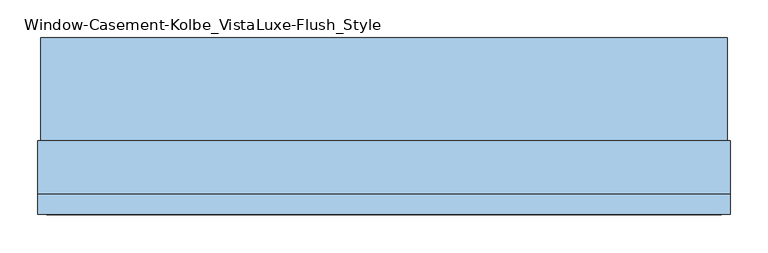
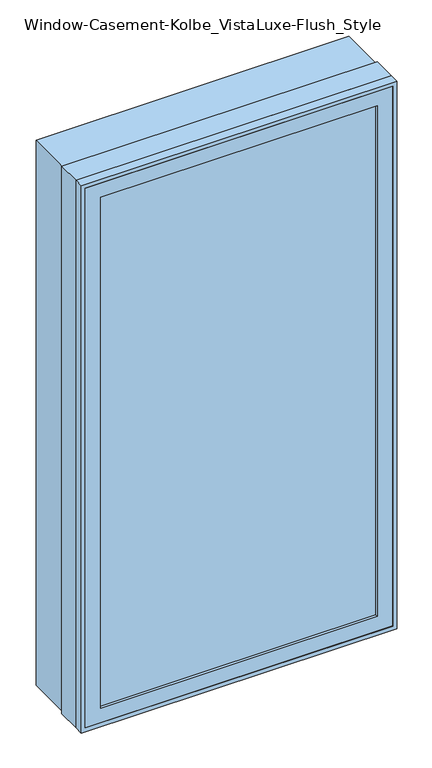
"""IFC4 building model written with IfcOpenShell, lengths in millimetres: window geometry, Window-Casement-Kolbe_VistaLuxe-Flush_Style."""

from ifc_helpers import new_model, si_unit, frame, origin, place, context, project, spatial, polyline, outline, extrude, faceted_brep, source, transform, mapped, element, save


def window_casement_kolbe_vistaluxe_flush_style_a1d4cc2e(model_context):
    return source(origin(), model_context, "Body", "SolidModel", [
        faceted_brep([(-406.4696599, -121.37898, 970.676875), (-406.4696599, -129.31648, 970.676875), (395.3765901, -129.31648, 970.676875), (395.3765901, -121.37898, 970.676875), (-422.3446599, -99.12858, 954.801875), (-422.3446599, -121.37898, 954.801875), (411.2515901, -121.37898, 954.801875), (411.2515901, -99.12858, 954.801875), (-406.4696599, -80.10398, 970.676875), (-406.4696599, -99.12858, 970.676875), (395.3765901, -99.12858, 970.676875), (395.3765901, -80.10398, 970.676875), (-450.9196599, -129.31648, 926.226875), (-450.9196599, -80.10398, 926.226875), (439.8265901, -80.10398, 926.226875), (439.8265901, -129.31648, 926.226875), (395.3765901, -129.31648, 2534.523125), (395.3765901, -121.37898, 2534.523125), (411.2515901, -121.37898, 2550.398125), (411.2515901, -99.12858, 2550.398125), (395.3765901, -99.12858, 2534.523125), (395.3765901, -80.10398, 2534.523125), (439.8265901, -80.10398, 2578.973125), (439.8265901, -129.31648, 2578.973125), (-406.4696599, -129.31648, 2534.523125), (-406.4696599, -121.37898, 2534.523125), (-422.3446599, -121.37898, 2550.398125), (-422.3446599, -99.12858, 2550.398125), (-406.4696599, -99.12858, 2534.523125), (-406.4696599, -80.10398, 2534.523125), (-450.9196599, -80.10398, 2578.973125), (-450.9196599, -129.31648, 2578.973125)], [[[0, 1, 2, 3]], [[4, 5, 6, 7]], [[8, 9, 10, 11]], [[12, 13, 14, 15]], [[3, 2, 16, 17]], [[7, 6, 18, 19]], [[11, 10, 20, 21]], [[15, 14, 22, 23]], [[17, 16, 24, 25]], [[19, 18, 26, 27]], [[21, 20, 28, 29]], [[23, 22, 30, 31]], [[25, 24, 1, 0]], [[5, 26, 18, 6], [3, 17, 25, 0]], [[27, 26, 5, 4]], [[7, 19, 27, 4], [9, 28, 20, 10]], [[29, 28, 9, 8]], [[13, 30, 22, 14], [11, 21, 29, 8]], [[31, 30, 13, 12]], [[15, 23, 31, 12], [1, 24, 16, 2]]]),
        extrude(outline(polyline([(2587.2186, 448.0720651), (2587.2186, -459.1651349), (917.9814, -459.1651349), (917.9814, 448.0720651), (2587.2186, 448.0720651)]), holes=[polyline([(936.545625, 429.5078401), (936.545625, -440.6009099), (2568.654375, -440.6009099), (2568.654375, 429.5078401), (936.545625, 429.5078401)])]), frame((0.0, -32.5247, 0.0), z_axis=(0.0, 1.0, 0.0), x_axis=(0.0, 0.0, 1.0)), (0.0, 0.0, 1.0), 135.7122),
        extrude(outline(polyline([(2590.8, -462.7465349), (914.4, -462.7465349), (914.4, 451.6534651), (2590.8, 451.6534651), (2590.8, -462.7465349)]), holes=[polyline([(2578.973125, 439.8265901), (926.226875, 439.8265901), (926.226875, -450.9196599), (2578.973125, -450.9196599), (2578.973125, 439.8265901)])]), frame((0.0, -130.1115, 0.0), z_axis=(0.0, 1.0, 0.0), x_axis=(0.0, 0.0, 1.0)), (0.0, 0.0, 1.0), 26.924),
        faceted_brep([(451.6534651, -32.5247, 914.4), (451.6534651, -103.1875, 914.4), (-462.7465349, -103.1875, 914.4), (-462.7465349, -32.5247, 914.4), (429.5078401, -80.10525, 936.545625), (429.5078401, -32.5247, 936.545625), (-440.6009099, -32.5247, 936.545625), (-440.6009099, -80.10525, 936.545625), (439.8265901, -103.1875, 926.226875), (439.8265901, -80.10525, 926.226875), (-450.9196599, -80.10525, 926.226875), (-450.9196599, -103.1875, 926.226875), (-462.7465349, -103.1875, 2590.8), (-462.7465349, -32.5247, 2590.8), (-440.6009099, -32.5247, 2568.654375), (-440.6009099, -80.10525, 2568.654375), (-450.9196599, -80.10525, 2578.973125), (-450.9196599, -103.1875, 2578.973125), (451.6534651, -103.1875, 2590.8), (451.6534651, -32.5247, 2590.8), (429.5078401, -32.5247, 2568.654375), (429.5078401, -80.10525, 2568.654375), (439.8265901, -80.10525, 2578.973125), (439.8265901, -103.1875, 2578.973125)], [[[0, 1, 2, 3]], [[4, 5, 6, 7]], [[8, 9, 10, 11]], [[3, 2, 12, 13]], [[7, 6, 14, 15]], [[11, 10, 16, 17]], [[13, 12, 18, 19]], [[15, 14, 20, 21]], [[17, 16, 22, 23]], [[19, 18, 1, 0]], [[3, 13, 19, 0], [5, 20, 14, 6]], [[21, 20, 5, 4]], [[9, 22, 16, 10], [7, 15, 21, 4]], [[23, 22, 9, 8]], [[1, 18, 12, 2], [11, 17, 23, 8]]]),
        extrude(outline(polyline([(408.0765901, -102.30358), (-419.1696599, -102.30358), (-419.1696599, -99.12858), (408.0765901, -99.12858), (408.0765901, -102.30358)])), frame((0.0, 0.0, 957.976875), z_axis=(0.0, 0.0, 1.0), x_axis=(1.0, 0.0, 0.0)), (0.0, 0.0, 1.0), 1589.24625),
        extrude(outline(polyline([(408.0765901, -118.20398), (408.0765901, -121.37898), (-419.1696599, -121.37898), (-419.1696599, -118.20398), (408.0765901, -118.20398)])), frame((0.0, 0.0, 957.976875), z_axis=(0.0, 0.0, 1.0), x_axis=(1.0, 0.0, 0.0)), (0.0, 0.0, 1.0), 1589.24625),
        extrude(outline(polyline([(936.545625, 429.5078401), (2568.654375, 429.5078401), (2568.654375, -440.6009099), (936.545625, -440.6009099), (936.545625, 429.5078401)]), holes=[polyline([(954.801875, -422.3446599), (2550.398125, -422.3446599), (2550.398125, 411.2515901), (954.801875, 411.2515901), (954.801875, -422.3446599)])]), frame((0.0, -80.10525, 0.0), z_axis=(0.0, 1.0, 0.0), x_axis=(0.0, 0.0, 1.0)), (0.0, 0.0, 1.0), 50.8),
    ])


if __name__ == "__main__":
    model = new_model("IFC4")
    model_context = context("Model", 3, world=origin())
    ifc_project = project(units=[si_unit("LENGTHUNIT", "METRE", prefix="MILLI")], contexts=[model_context])
    site = spatial("IfcSite", under=ifc_project)
    building = spatial("IfcBuilding", under=site)
    placement = place(None, origin())
    window_casement_kolbe_vistaluxe_flush_style_shape = window_casement_kolbe_vistaluxe_flush_style_a1d4cc2e(model_context)
    element("IfcWindow", 1, ObjectType="Window-Casement-Kolbe_VistaLuxe-Flush_Style", at=placement, inside=building, context=model_context, shape_type="MappedRepresentation", body=[
        mapped(window_casement_kolbe_vistaluxe_flush_style_shape, transform((0.0, 0.0, 0.0), x_axis=(1.0, 0.0, 0.0), y_axis=(0.0, 1.0, 0.0), z_axis=(0.0, 0.0, 1.0))),
    ])
    save(model, "model.ifc")
